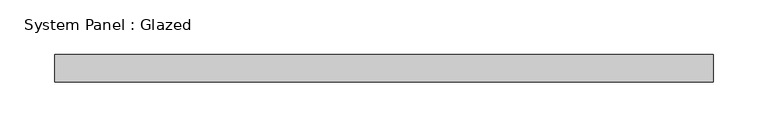
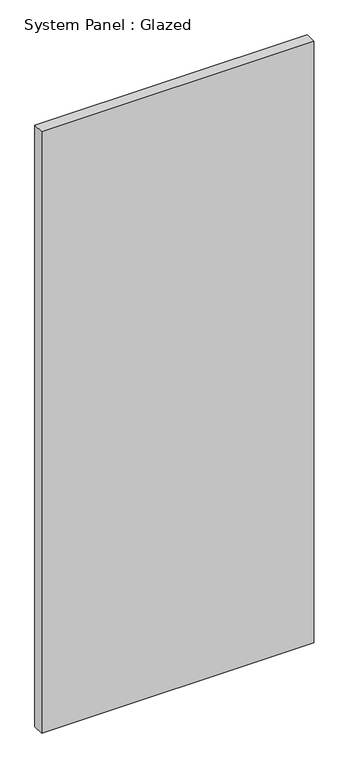
"""IFC4 building model written with IfcOpenShell, lengths in millimetres: plate geometry, System Panel : Glazed."""

from ifc_helpers import new_model, si_unit, origin, origin_with_axes, place, context, project, spatial, polyline, outline, extrude, source, transform, mapped, element, save


def system_panel_glazed_149d1c7a(model_context):
    return source(origin(), model_context, "Body", "SweptSolid", [
        extrude(outline(polyline([(302.021875, -44.45), (-302.021875, -44.45), (-302.021875, -19.05), (302.021875, -19.05), (302.021875, -44.45)])), origin_with_axes(), (0.0, 0.0, 1.0), 1409.7),
    ])


if __name__ == "__main__":
    model = new_model("IFC4")
    model_context = context("Model", 3, world=origin())
    ifc_project = project(units=[si_unit("LENGTHUNIT", "METRE", prefix="MILLI")], contexts=[model_context])
    site = spatial("IfcSite", under=ifc_project)
    building = spatial("IfcBuilding", under=site)
    placement = place(None, origin())
    system_panel_glazed_shape = system_panel_glazed_149d1c7a(model_context)
    element("IfcPlate", 1, ObjectType="System Panel : Glazed", at=placement, inside=building, context=model_context, shape_type="MappedRepresentation", body=[
        mapped(system_panel_glazed_shape, transform((0.0, 0.0, 0.0), x_axis=(1.0, 0.0, 0.0), y_axis=(0.0, 1.0, 0.0), z_axis=(0.0, 0.0, 1.0))),
    ])
    save(model, "model.ifc")
